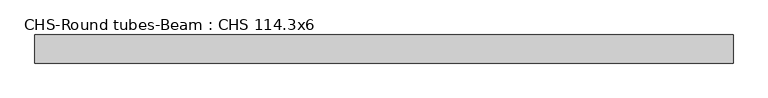
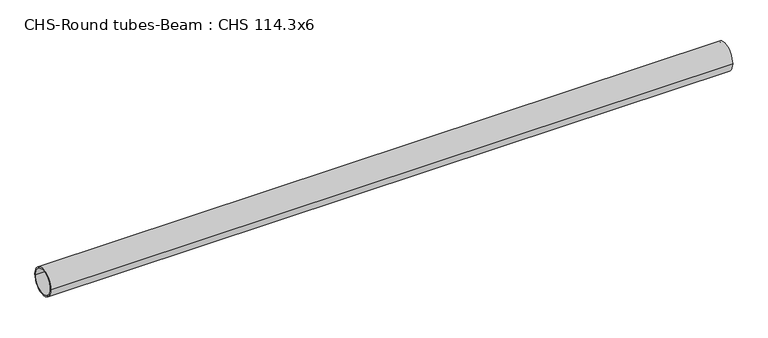
"""IFC4 building model written with IfcOpenShell, lengths in millimetres: beam geometry, CHS-Round tubes-Beam : CHS 114.3x6."""

from ifc_helpers import new_model, si_unit, point, frame, origin, origin_2d, place, context, project, spatial, circle_curve, trimmed, segment, composite_curve, outline, extrude, source, transform, mapped, element, save


def chs_round_tubes_beam_chs_114_3x6_0c69e7ab(model_context):
    return source(origin(), model_context, "Body", "SweptSolid", [
        extrude(outline(composite_curve([segment(trimmed(circle_curve(origin_2d(), 57.15), [point((57.15, 0.0))], [point((-57.15, 0.0))], False, "CARTESIAN"), True, "CONTINUOUS"), segment(trimmed(circle_curve(origin_2d(), 57.15), [point((-57.15, 0.0))], [point((57.15, 0.0))], False, "CARTESIAN"), True, "CONTINUOUS")], self_intersect=False), holes=[composite_curve([segment(trimmed(circle_curve(origin_2d(), 51.15), [point((51.15, 0.0))], [point((-51.15, 0.0))], True, "CARTESIAN"), True, "CONTINUOUS"), segment(trimmed(circle_curve(origin_2d(), 51.15), [point((-51.15, 0.0))], [point((51.15, 0.0))], True, "CARTESIAN"), True, "CONTINUOUS")], self_intersect=False)]), frame((-1412.7890892, 0.0, 0.0), z_axis=(1.0, 0.0, 0.0), x_axis=(0.0, 1.0, 0.0)), (0.0, 0.0, 1.0), 2833.2352786),
    ])


if __name__ == "__main__":
    model = new_model("IFC4")
    model_context = context("Model", 3, world=origin())
    ifc_project = project(units=[si_unit("LENGTHUNIT", "METRE", prefix="MILLI")], contexts=[model_context])
    site = spatial("IfcSite", under=ifc_project)
    building = spatial("IfcBuilding", under=site)
    placement = place(None, origin())
    chs_round_tubes_beam_chs_114_3x6_shape = chs_round_tubes_beam_chs_114_3x6_0c69e7ab(model_context)
    element("IfcBeam", 1, ObjectType="CHS-Round tubes-Beam : CHS 114.3x6", at=placement, inside=building, context=model_context, shape_type="MappedRepresentation", body=[
        mapped(chs_round_tubes_beam_chs_114_3x6_shape, transform((0.0, 0.0, 0.0), x_axis=(1.0, 0.0, 0.0), y_axis=(0.0, 1.0, 0.0), z_axis=(0.0, 0.0, 1.0))),
    ])
    save(model, "model.ifc")
